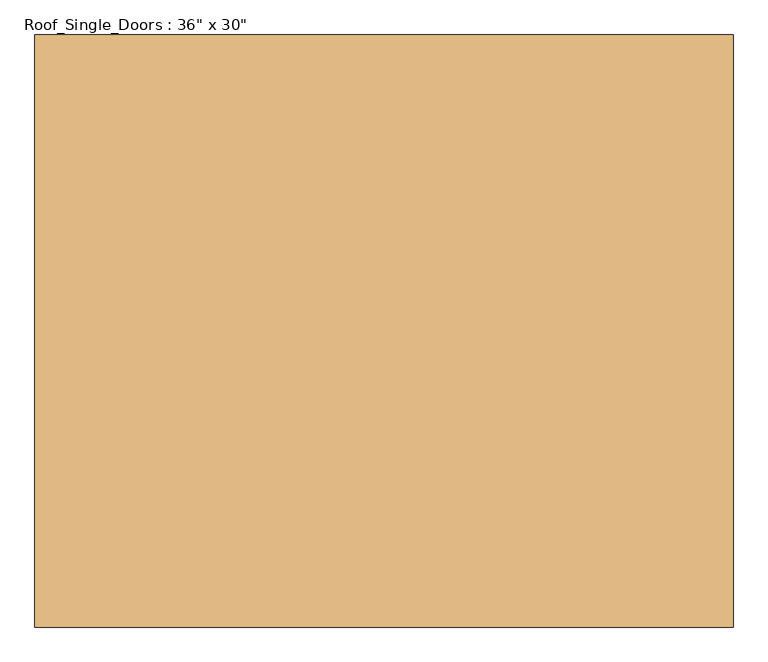
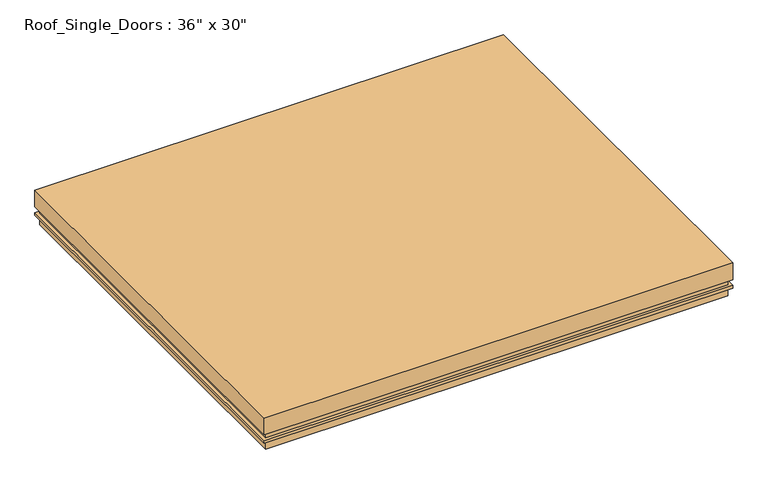
"""IFC4 building model written with IfcOpenShell, lengths in millimetres: door geometry."""

from ifc_helpers import new_model, si_unit, origin, place, context, project, spatial, faceted_brep, source, transform, mapped, element, save


def door_57bc6659(model_context):
    return source(origin(), model_context, "Body", "Brep", [
        faceted_brep([(-495.3, 419.1, 3702.05), (495.3, 419.1, 3702.05), (495.3, 419.1, 3683.0), (-495.3, 419.1, 3683.0), (-457.2, 381.0, 3683.0), (457.2, 381.0, 3683.0), (457.2, 381.0, 3733.8), (-457.2, 381.0, 3733.8), (495.3, -419.1, 3702.05), (495.3, -419.1, 3683.0), (457.2, -381.0, 3683.0), (457.2, -381.0, 3733.8), (-495.3, -419.1, 3702.05), (-495.3, -419.1, 3683.0), (-457.2, -381.0, 3683.0), (-457.2, -381.0, 3733.8), (495.3, 419.1, 3733.8), (-495.3, 419.1, 3733.8), (-495.3, -419.1, 3733.8), (495.3, -419.1, 3733.8), (-501.65, 425.45, 3708.4), (501.65, 425.45, 3708.4), (501.65, 425.45, 3702.05), (-501.65, 425.45, 3702.05), (495.3, 419.1, 3708.4), (-495.3, 419.1, 3708.4), (501.65, -425.45, 3708.4), (501.65, -425.45, 3702.05), (495.3, -419.1, 3708.4), (-501.65, -425.45, 3708.4), (-501.65, -425.45, 3702.05), (-495.3, -419.1, 3708.4)], [[[0, 1, 2, 3]], [[4, 5, 6, 7]], [[1, 8, 9, 2]], [[5, 10, 11, 6]], [[8, 12, 13, 9]], [[10, 14, 15, 11]], [[12, 0, 3, 13]], [[16, 17, 18, 19], [7, 6, 11, 15]], [[14, 4, 7, 15]], [[3, 2, 9, 13], [5, 4, 14, 10]], [[20, 21, 22, 23]], [[17, 16, 24, 25]], [[21, 26, 27, 22]], [[16, 19, 28, 24]], [[26, 29, 30, 27]], [[19, 18, 31, 28]], [[23, 22, 27, 30], [1, 0, 12, 8]], [[29, 20, 23, 30]], [[21, 20, 29, 26], [25, 24, 28, 31]], [[18, 17, 25, 31]]]),
        faceted_brep([(-495.3, 419.1, 3721.1), (495.3, 419.1, 3721.1), (495.3, 419.1, 3733.8), (-495.3, 419.1, 3733.8), (-501.65, 425.45, 3759.2), (501.65, 425.45, 3759.2), (501.65, 425.45, 3721.1), (-501.65, 425.45, 3721.1), (495.3, -419.1, 3721.1), (495.3, -419.1, 3733.8), (501.65, -425.45, 3759.2), (501.65, -425.45, 3721.1), (-495.3, -419.1, 3721.1), (-495.3, -419.1, 3733.8), (-501.65, -425.45, 3759.2), (-501.65, -425.45, 3721.1)], [[[0, 1, 2, 3]], [[4, 5, 6, 7]], [[1, 8, 9, 2]], [[5, 10, 11, 6]], [[8, 12, 13, 9]], [[10, 14, 15, 11]], [[2, 9, 13, 3]], [[3, 13, 12, 0]], [[6, 11, 15, 7], [0, 12, 8, 1]], [[7, 15, 14, 4]], [[4, 14, 10, 5]]]),
    ])


if __name__ == "__main__":
    model = new_model("IFC4")
    model_context = context("Model", 3, world=origin())
    ifc_project = project(units=[si_unit("LENGTHUNIT", "METRE", prefix="MILLI")], contexts=[model_context])
    site = spatial("IfcSite", under=ifc_project)
    building = spatial("IfcBuilding", under=site)
    placement = place(None, origin())
    door_shape = door_57bc6659(model_context)
    element("IfcDoor", 1, ObjectType="Roof_Single_Doors : 36\" x 30\"", at=placement, inside=building, context=model_context, shape_type="MappedRepresentation", body=[
        mapped(door_shape, transform((0.0, 0.0, 0.0), x_axis=(1.0, 0.0, 0.0), y_axis=(0.0, 1.0, 0.0), z_axis=(0.0, 0.0, 1.0))),
    ])
    save(model, "model.ifc")
